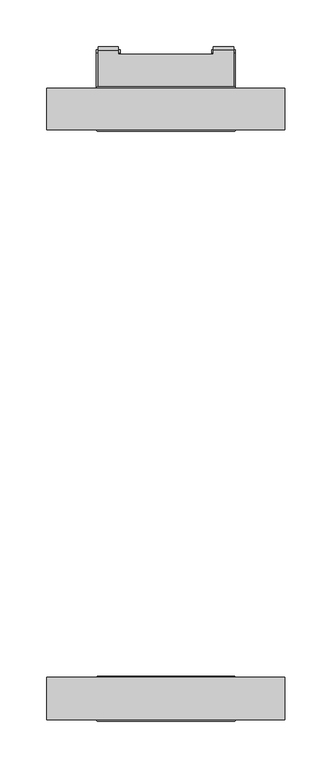
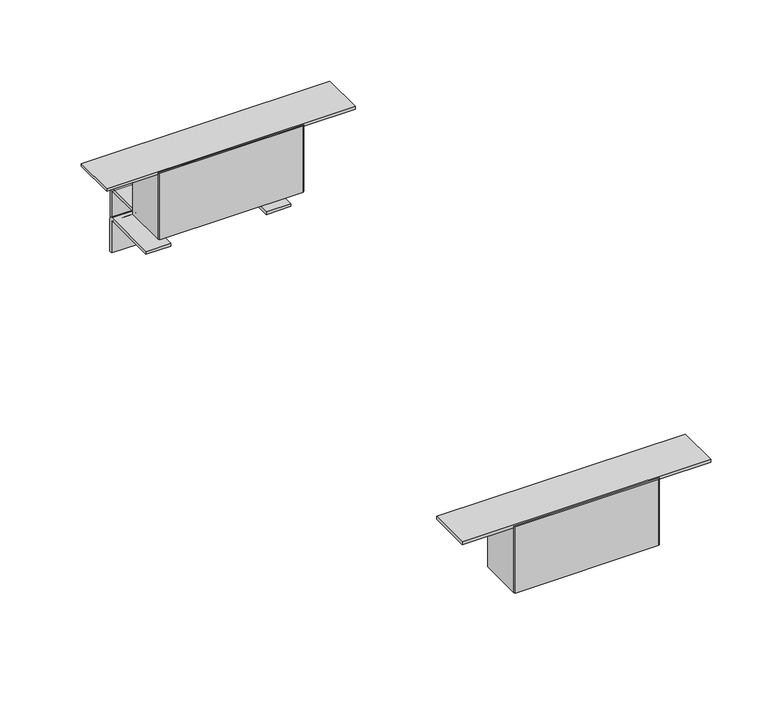
"""IFC4 building model written with IfcOpenShell, lengths in millimetres: furniture geometry."""

from ifc_helpers import new_model, si_unit, point, frame, frame_2d, origin, place, context, project, spatial, polyline, circle_curve, trimmed, segment, composite_curve, outline, extrude, faceted_brep, source, transform, mapped, element, save
from ifc_brep_helpers import plane_surface, cylinder_surface, revolved_surface, advanced_brep


def furniture_034da7eb(model_context):
    return source(origin(), model_context, "Body", "SolidModel", [
        faceted_brep([(295.5643355, -696.8998089, 723.90762), (296.5803346, -697.9158079, 723.90762), (296.5803346, -743.8516942, 723.90762), (295.5643355, -744.8676933, 723.90762), (148.8539319, -744.8676933, 723.90762), (147.8379329, -743.8516942, 723.90762), (147.8379329, -697.9158079, 723.90762), (148.8539319, -696.8998089, 723.90762), (295.5643355, -696.8998089, 795.6626152), (148.8539319, -696.8998089, 795.6626152), (147.8379329, -697.9158079, 795.6626152), (147.8379329, -698.2460067, 795.6626152), (296.5803346, -698.2460067, 795.6626152), (296.5803346, -697.9158079, 795.6626152), (147.8379329, -743.8516942, 795.6626152), (148.8539319, -744.8676933, 795.6626152), (295.5643355, -744.8676933, 795.6626152), (296.5803346, -743.8516942, 795.6626152), (296.5803346, -743.5215, 795.6626152), (147.8379329, -743.5215, 795.6626152), (296.5803346, -698.2460067, 794.1386529), (296.5803346, -743.5215, 794.1386529), (147.8379329, -743.5215, 794.1386529), (147.8379329, -698.2460067, 794.1386529), (349.2091352, -698.2460067, 797.18665), (349.2091352, -743.5215, 797.18665), (349.2091352, -743.5215, 794.1386529), (349.2091352, -698.2460067, 794.1386529), (95.2091322, -698.2460067, 797.18665), (95.2091322, -698.2460067, 794.1386529), (95.2091322, -743.5215, 794.1386529), (95.2091322, -743.5215, 797.18665)], [[[0, 1, 2, 3, 4, 5, 6, 7]], [[8, 9, 10, 11, 12, 13]], [[14, 15, 16, 17, 18, 19]], [[1, 0, 8, 13]], [[2, 1, 13, 12, 20, 21, 18, 17]], [[3, 2, 17, 16]], [[4, 3, 16, 15]], [[5, 4, 15, 14]], [[6, 5, 14, 19, 22, 23, 11, 10]], [[7, 6, 10, 9]], [[0, 7, 9, 8]], [[24, 25, 26, 27]], [[28, 29, 30, 31]], [[25, 24, 28, 31]], [[26, 25, 31, 30, 22, 19, 18, 21]], [[27, 26, 21, 20]], [[30, 29, 23, 22]], [[24, 27, 20, 12, 11, 23, 29, 28]]]),
        extrude(outline(composite_curve([segment(polyline([(-92.1582465, 697.2249464), (-32.308182, 697.2249464)]), True, "CONTINUOUS"), segment(trimmed(circle_curve(frame_2d((-32.308182, 693.5806647)), 3.6442816), [point((-32.308182, 697.2249464))], [point((-28.6639004, 693.5806647))], False, "CARTESIAN"), True, "CONTINUOUS"), segment(polyline([(-28.6639004, 693.5806647), (-28.6639004, 659.1375909), (-31.7118997, 659.1375909), (-31.7118997, 692.4814463)]), True, "CONTINUOUS"), segment(trimmed(circle_curve(frame_2d((-33.4074027, 692.4814463)), 1.695503), [point((-31.7118997, 692.4814463))], [point((-33.4074027, 694.1769493))], True, "CARTESIAN"), True, "CONTINUOUS"), segment(polyline([(-33.4074027, 694.1769493), (-92.1582465, 694.1769493), (-92.1582465, 697.2249464)]), True, "CONTINUOUS")], self_intersect=False)), frame((270.9517209, 0.0, 0.0), z_axis=(1.0, 0.0, 0.0), x_axis=(0.0, 1.0, 0.0)), (0.0, 0.0, 1.0), 25.4000121),
        extrude(outline(composite_curve([segment(polyline([(-92.1582465, 697.2249464), (-32.308182, 697.2249464)]), True, "CONTINUOUS"), segment(trimmed(circle_curve(frame_2d((-32.308182, 693.5806647)), 3.6442816), [point((-32.308182, 697.2249464))], [point((-28.6639004, 693.5806647))], False, "CARTESIAN"), True, "CONTINUOUS"), segment(polyline([(-28.6639004, 693.5806647), (-28.6639004, 659.1375909), (-31.7118997, 659.1375909), (-31.7118997, 692.4814463)]), True, "CONTINUOUS"), segment(trimmed(circle_curve(frame_2d((-33.4074027, 692.4814463)), 1.695503), [point((-31.7118997, 692.4814463))], [point((-33.4074027, 694.1769493))], True, "CARTESIAN"), True, "CONTINUOUS"), segment(polyline([(-33.4074027, 694.1769493), (-92.1582465, 694.1769493), (-92.1582465, 697.2249464)]), True, "CONTINUOUS")], self_intersect=False)), frame((148.0665254, 0.0, 0.0), z_axis=(1.0, 0.0, 0.0), x_axis=(0.0, 1.0, 0.0)), (0.0, 0.0, 1.0), 25.4000121),
        advanced_brep(
        [(171.5615303, -28.6639004, 722.2171031), (171.5615303, -28.6639004, 659.1375909), (171.5615303, -25.615901, 659.1375909), (171.5615303, -25.615901, 723.6109444), (171.5615303, -28.9605737, 726.9556171), (171.5615303, -33.2359006, 726.9556171), (171.5615303, -33.2359006, 723.90762), (171.5615303, -30.3544173, 723.90762), (149.9715327, -28.6639004, 722.2171031), (149.9715327, -30.3544173, 723.90762), (149.9715327, -68.338702, 723.90762), (149.9715327, -68.338702, 726.9556171), (149.9715327, -28.9605737, 726.9556171), (149.9715327, -25.615901, 723.6109444), (149.9715327, -25.615901, 659.1375909), (149.9715327, -28.6639004, 659.1375909), (294.4467257, -68.338702, 726.9556171), (294.4467257, -28.9605737, 726.9556171), (272.8567281, -28.9605737, 726.9556171), (272.8567281, -33.2359006, 726.9556171), (272.8567281, -33.2359006, 723.90762), (272.8567281, -30.3544173, 723.90762), (294.4467257, -30.3544173, 723.90762), (294.4467257, -68.338702, 723.90762), (295.5643355, -68.338702, 723.90762), (296.5803346, -69.3547011, 723.90762), (296.5803346, -114.4650971, 723.90762), (295.5643355, -115.4810961, 723.90762), (148.8539319, -115.4810961, 723.90762), (147.8379329, -114.4650971, 723.90762), (147.8379329, -69.3547011, 723.90762), (148.8539319, -68.338702, 723.90762), (294.4467257, -28.6639004, 722.2171031), (294.4467257, -28.6639004, 659.1375909), (294.4467257, -25.615901, 659.1375909), (294.4467257, -25.615901, 723.6109444), (272.8567281, -28.6639004, 722.2171031), (272.8567281, -25.615901, 723.6109444), (272.8567281, -25.615901, 659.1375909), (272.8567281, -28.6639004, 659.1375909), (295.5643355, -68.338702, 795.6626152), (148.8539319, -68.338702, 795.6626152), (147.8379329, -69.3547011, 795.6626152), (147.8379329, -69.6848999, 795.6626152), (296.5803346, -69.6848999, 795.6626152), (296.5803346, -69.3547011, 795.6626152), (147.8379329, -114.4650971, 795.6626152), (148.8539319, -115.4810961, 795.6626152), (295.5643355, -115.4810961, 795.6626152), (296.5803346, -114.4650971, 795.6626152), (296.5803346, -114.1349029, 795.6626152), (147.8379329, -114.1349029, 795.6626152), (296.5803346, -69.6848999, 794.1386529), (296.5803346, -114.1349029, 794.1386529), (147.8379329, -114.1349029, 794.1386529), (147.8379329, -69.6848999, 794.1386529), (349.2091352, -69.6848999, 797.18665), (349.2091352, -114.1349029, 797.18665), (349.2091352, -114.1349029, 794.1386529), (349.2091352, -69.6848999, 794.1386529), (95.2091322, -69.6848999, 797.18665), (95.2091322, -69.6848999, 794.1386529), (95.2091322, -114.1349029, 794.1386529), (95.2091322, -114.1349029, 797.18665)],
        [
            (0, 1),
            (1, 2),
            (2, 3),
            (3, 4, circle_curve(frame((171.5615303, -28.9605737, 723.6109444), z_axis=(1.0, 0.0, 0.0), x_axis=(0.0, 1.0, 0.0)), 3.3446727)),
            (4, 5),
            (5, 6),
            (6, 7),
            (7, 0, circle_curve(frame((171.5615303, -30.3544173, 722.2171031), z_axis=(-1.0, 0.0, 0.0), x_axis=(0.0, 1.0, 0.0)), 1.6905169)),
            (8, 9, circle_curve(frame((149.9715327, -30.3544173, 722.2171031), z_axis=(1.0, 0.0, 0.0), x_axis=(0.0, 1.0, 0.0)), 1.6905169)),
            (9, 10),
            (10, 11),
            (11, 12),
            (12, 13, circle_curve(frame((149.9715327, -28.9605737, 723.6109444), z_axis=(-1.0, 0.0, 0.0), x_axis=(0.0, 1.0, 0.0)), 3.3446727)),
            (13, 14),
            (14, 15),
            (15, 8),
            (0, 8),
            (15, 1),
            (14, 2),
            (13, 3),
            (12, 4),
            (11, 16),
            (16, 17),
            (17, 18),
            (18, 19),
            (19, 5),
            (6, 20),
            (20, 21),
            (21, 22),
            (22, 23),
            (23, 24),
            (24, 25),
            (25, 26),
            (26, 27),
            (27, 28),
            (28, 29),
            (29, 30),
            (30, 31),
            (31, 10),
            (9, 7),
            (32, 33),
            (33, 34),
            (34, 35),
            (35, 17, circle_curve(frame((294.4467257, -28.9605737, 723.6109444), z_axis=(1.0, 0.0, 0.0), x_axis=(0.0, 1.0, 0.0)), 3.3446727)),
            (16, 23),
            (22, 32, circle_curve(frame((294.4467257, -30.3544173, 722.2171031), z_axis=(-1.0, 0.0, 0.0), x_axis=(0.0, 1.0, 0.0)), 1.6905169)),
            (19, 20),
            (36, 21, circle_curve(frame((272.8567281, -30.3544173, 722.2171031), z_axis=(1.0, 0.0, 0.0), x_axis=(0.0, 1.0, 0.0)), 1.6905169)),
            (18, 37, circle_curve(frame((272.8567281, -28.9605737, 723.6109444), z_axis=(-1.0, 0.0, 0.0), x_axis=(0.0, 1.0, 0.0)), 3.3446727)),
            (37, 38),
            (38, 39),
            (39, 36),
            (39, 33),
            (32, 36),
            (38, 34),
            (37, 35),
            (40, 41),
            (41, 42),
            (42, 43),
            (43, 44),
            (44, 45),
            (45, 40),
            (46, 47),
            (47, 48),
            (48, 49),
            (49, 50),
            (50, 51),
            (51, 46),
            (24, 40),
            (45, 25),
            (44, 52),
            (52, 53),
            (53, 50),
            (49, 26),
            (48, 27),
            (47, 28),
            (46, 29),
            (51, 54),
            (54, 55),
            (55, 43),
            (42, 30),
            (41, 31),
            (56, 57),
            (57, 58),
            (58, 59),
            (59, 56),
            (60, 61),
            (61, 62),
            (62, 63),
            (63, 60),
            (56, 60),
            (63, 57),
            (62, 54),
            (53, 58),
            (52, 59),
            (61, 55),
        ],
        [
            plane_surface(frame((171.5615303, -28.6639004, 722.2171031), z_axis=(1.0, 0.0, 0.0), x_axis=(0.0, 0.0, -1.0))),
            plane_surface(frame((149.9715327, -28.6639004, 722.2171031), z_axis=(-1.0, 0.0, 0.0), x_axis=(0.0, 0.0, 1.0))),
            plane_surface(frame((149.9715327, -28.6639004, 659.1375909), z_axis=(0.0, -1.0, 0.0), x_axis=(1.0, 0.0, 0.0))),
            plane_surface(frame((149.9715327, -25.615901, 659.1375909), z_axis=(0.0, 0.0, -1.0), x_axis=(1.0, 0.0, 0.0))),
            plane_surface(frame((149.9715327, -25.615901, 723.6109444), z_axis=(0.0, 1.0, 0.0), x_axis=(1.0, 0.0, 0.0))),
            cylinder_surface(frame((171.5615303, -28.9605737, 723.6109444), z_axis=(-1.0, 0.0, 0.0), x_axis=(0.0, 1.0, 0.0)), 3.3446727),
            plane_surface(frame((149.9715327, -33.2359006, 726.9556171), z_axis=(0.0, 0.0, 1.0), x_axis=(1.0, 0.0, 0.0))),
            plane_surface(frame((149.9715327, -30.3544173, 723.90762), z_axis=(0.0, 0.0, -1.0), x_axis=(1.0, 0.0, 0.0))),
            revolved_surface(polyline([(171.5615303, -28.663900400000003, 722.2171031), (149.9715327, -28.663900400000003, 722.2171031)]), (171.5615303, -30.3544173, 722.2171031), (1.0, 0.0, 0.0)),
            plane_surface(frame((294.4467257, -114.2110974, 726.9556171), z_axis=(1.0, 0.0, 0.0), x_axis=(0.0, -1.0, 0.0))),
            plane_surface(frame((294.4467257, -33.2359006, 723.90762), z_axis=(0.0, 1.0, 0.0), x_axis=(-1.0, 0.0, 0.0))),
            plane_surface(frame((272.8567281, -28.6639004, 659.1375909), z_axis=(-1.0, 0.0, 0.0), x_axis=(0.0, 0.0, 1.0))),
            plane_surface(frame((294.4467257, -28.6639004, 722.2171031), z_axis=(0.0, -1.0, 0.0), x_axis=(-1.0, 0.0, 0.0))),
            plane_surface(frame((294.4467257, -28.6639004, 659.1375909), z_axis=(0.0, 0.0, -1.0), x_axis=(-1.0, 0.0, 0.0))),
            plane_surface(frame((294.4467257, -25.615901, 659.1375909), z_axis=(0.0, 1.0, 0.0), x_axis=(-1.0, 0.0, 0.0))),
            cylinder_surface(frame((272.8567281, -28.9605737, 723.6109444), z_axis=(1.0, 0.0, 0.0), x_axis=(0.0, 1.0, 0.0)), 3.3446727),
            revolved_surface(polyline([(272.8567281, -28.663900400000003, 722.2171031), (294.4467257, -28.663900400000003, 722.2171031)]), (272.8567281, -30.3544173, 722.2171031), (-1.0, 0.0, 0.0)),
            plane_surface(frame((295.5643355, -68.338702, 795.6626152), z_axis=(0.0, 0.0, 1.0000000000000002), x_axis=(-0.7071067811865476, 0.7071067811865476, 0.0))),
            plane_surface(frame((295.5643355, -68.338702, 723.90762), z_axis=(0.7071067811865476, 0.7071067811865476, 0.0), x_axis=(0.0, 0.0, 1.0))),
            plane_surface(frame((296.5803346, -69.3547011, 723.90762), z_axis=(1.0, 0.0, 0.0), x_axis=(0.0, 0.0, 1.0))),
            plane_surface(frame((296.5803346, -114.4650971, 723.90762), z_axis=(0.7071067811865476, -0.7071067811865476, 0.0), x_axis=(0.0, 0.0, 1.0))),
            plane_surface(frame((295.5643355, -115.4810961, 723.90762), z_axis=(0.0, -1.0, 0.0), x_axis=(0.0, 0.0, 1.0))),
            plane_surface(frame((148.8539319, -115.4810961, 723.90762), z_axis=(-0.7071067811865476, -0.7071067811865476, 0.0), x_axis=(0.0, 0.0, 1.0))),
            plane_surface(frame((147.8379329, -114.4650971, 723.90762), z_axis=(-1.0, 0.0, 0.0), x_axis=(0.0, 0.0, 1.0))),
            plane_surface(frame((147.8379329, -69.3547011, 723.90762), z_axis=(-0.7071067811865476, 0.7071067811865476, 0.0), x_axis=(0.0, 0.0, 1.0))),
            plane_surface(frame((148.8539319, -68.338702, 723.90762), z_axis=(0.0, 1.0, 0.0), x_axis=(0.0, 0.0, 1.0))),
            plane_surface(frame((349.2091352, -114.1349029, 797.18665), z_axis=(1.0, 0.0, 0.0), x_axis=(0.0, -1.0, 0.0))),
            plane_surface(frame((95.2091322, -114.1349029, 797.18665), z_axis=(-1.0, 0.0, 0.0), x_axis=(0.0, 1.0, 0.0))),
            plane_surface(frame((349.2091352, -69.6848999, 797.18665), z_axis=(0.0, 0.0, 1.0), x_axis=(-1.0, 0.0, 0.0))),
            plane_surface(frame((349.2091352, -114.1349029, 797.18665), z_axis=(0.0, -1.0, 0.0), x_axis=(-1.0, 0.0, 0.0))),
            plane_surface(frame((349.2091352, -114.1349029, 794.1386529), z_axis=(0.0, 0.0, -1.0), x_axis=(-1.0, 0.0, 0.0))),
            plane_surface(frame((349.2091352, -69.6848999, 794.1386529), z_axis=(0.0, 1.0, 0.0), x_axis=(-1.0, 0.0, 0.0))),
        ],
        [
            (0, [[1, 2, 3, 4, 5, 6, 7, 8]]),
            (1, [[9, 10, 11, 12, 13, 14, 15, 16]]),
            (2, [[-1, 17, -16, 18]]),
            (3, [[-2, -18, -15, 19]]),
            (4, [[-3, -19, -14, 20]]),
            (5, [[-4, -20, -13, 21]]),
            (6, [[-5, -21, -12, 22, 23, 24, 25, 26]]),
            (7, [[-7, 27, 28, 29, 30, 31, 32, 33, 34, 35, 36, 37, 38, 39, -10, 40]]),
            (8, [[-8, -40, -9, -17]]),
            (9, [[41, 42, 43, 44, -23, 45, -30, 46]]),
            (10, [[-6, -26, 47, -27]]),
            (11, [[48, -28, -47, -25, 49, 50, 51, 52]]),
            (12, [[-52, 53, -41, 54]]),
            (13, [[-51, 55, -42, -53]]),
            (14, [[-50, 56, -43, -55]]),
            (15, [[-49, -24, -44, -56]]),
            (16, [[-48, -54, -46, -29]]),
            (17, [[57, 58, 59, 60, 61, 62]]),
            (17, [[63, 64, 65, 66, 67, 68]]),
            (18, [[-32, 69, -62, 70]]),
            (19, [[-33, -70, -61, 71, 72, 73, -66, 74]]),
            (20, [[-34, -74, -65, 75]]),
            (21, [[-35, -75, -64, 76]]),
            (22, [[-36, -76, -63, 77]]),
            (23, [[-37, -77, -68, 78, 79, 80, -59, 81]]),
            (24, [[-38, -81, -58, 82]]),
            (25, [[-57, -69, -31, -45, -22, -11, -39, -82]]),
            (26, [[83, 84, 85, 86]]),
            (27, [[87, 88, 89, 90]]),
            (28, [[-83, 91, -90, 92]]),
            (29, [[-84, -92, -89, 93, -78, -67, -73, 94]]),
            (30, [[-85, -94, -72, 95]]),
            (30, [[-88, 96, -79, -93]]),
            (31, [[-86, -95, -71, -60, -80, -96, -87, -91]]),
        ],
    ),
    ])


if __name__ == "__main__":
    model = new_model("IFC4")
    model_context = context("Model", 3, world=origin())
    ifc_project = project(units=[si_unit("LENGTHUNIT", "METRE", prefix="MILLI")], contexts=[model_context])
    site = spatial("IfcSite", under=ifc_project)
    building = spatial("IfcBuilding", under=site)
    placement = place(None, origin())
    furniture_shape = furniture_034da7eb(model_context)
    element("IfcFurniture", 1, at=placement, inside=building, context=model_context, shape_type="MappedRepresentation", body=[
        mapped(furniture_shape, transform((0.0, 0.0, 0.0), x_axis=(1.0, 0.0, 0.0), y_axis=(0.0, 1.0, 0.0), z_axis=(0.0, 0.0, 1.0))),
    ])
    save(model, "model.ifc")
